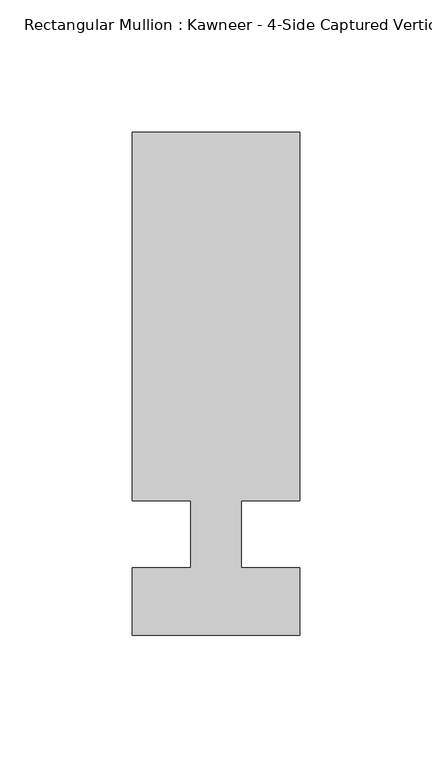
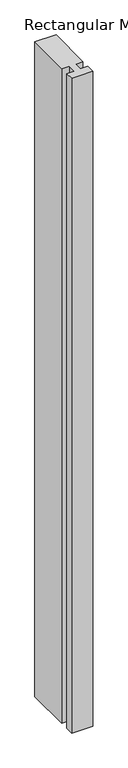
"""IFC4 building model written with IfcOpenShell, lengths in millimetres: member geometry."""

from ifc_helpers import new_model, si_unit, frame, origin, place, context, project, spatial, polyline, outline, extrude, source, transform, mapped, element, save


def member_50346e68(model_context):
    return source(origin(), model_context, "Body", "SweptSolid", [
        extrude(outline(polyline([(-9.5251132, -12.7), (-9.5251132, 12.7), (-31.75, 12.7), (-31.75, 152.399995), (31.75, 152.399995), (31.75, 12.7), (9.5251132, 12.7), (9.5251132, -12.7), (31.75, -12.7), (31.75, -38.1), (-31.75, -38.1), (-31.75, -12.7), (-9.5251132, -12.7)])), frame((0.0, 0.0, -2075.4930277), z_axis=(0.0, 0.0, 1.0), x_axis=(1.0, 0.0, 0.0)), (0.0, 0.0, 1.0), 2075.4930277),
    ])


if __name__ == "__main__":
    model = new_model("IFC4")
    model_context = context("Model", 3, world=origin())
    ifc_project = project(units=[si_unit("LENGTHUNIT", "METRE", prefix="MILLI")], contexts=[model_context])
    site = spatial("IfcSite", under=ifc_project)
    building = spatial("IfcBuilding", under=site)
    placement = place(None, origin())
    member_shape = member_50346e68(model_context)
    element("IfcMember", 1, ObjectType="Rectangular Mullion : Kawneer - 4-Side Captured Vertical Mullion - 7 1/2\"", at=placement, inside=building, context=model_context, shape_type="MappedRepresentation", body=[
        mapped(member_shape, transform((0.0, 0.0, 0.0), x_axis=(1.0, 0.0, 0.0), y_axis=(0.0, 1.0, 0.0), z_axis=(0.0, 0.0, 1.0))),
    ])
    save(model, "model.ifc")
